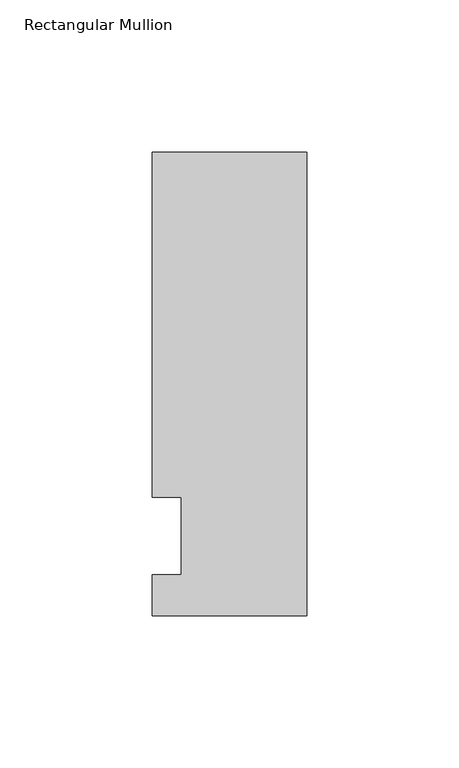
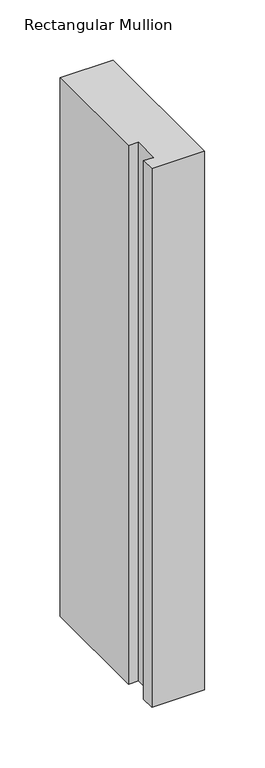
"""IFC4 building model written with IfcOpenShell, lengths in millimetres: member geometry, Rectangular Mullion."""

from ifc_helpers import new_model, si_unit, frame, origin, place, context, project, spatial, polyline, outline, extrude, source, transform, mapped, element, save


def rectangular_mullion_8bf06124(model_context):
    return source(origin(), model_context, "Body", "SweptSolid", [
        extrude(outline(polyline([(0.0, -26.19375), (-50.8, -26.19375), (-50.8, -12.7), (-41.275, -12.7), (-41.275, 12.7), (-50.8, 12.7), (-50.8, 126.20625), (0.0, 126.20625), (0.0, -26.19375)])), frame((0.0, 0.0, -546.1), z_axis=(0.0, 0.0, 1.0), x_axis=(1.0, 0.0, 0.0)), (0.0, 0.0, 1.0), 546.1),
    ])


if __name__ == "__main__":
    model = new_model("IFC4")
    model_context = context("Model", 3, world=origin())
    ifc_project = project(units=[si_unit("LENGTHUNIT", "METRE", prefix="MILLI")], contexts=[model_context])
    site = spatial("IfcSite", under=ifc_project)
    building = spatial("IfcBuilding", under=site)
    placement = place(None, origin())
    rectangular_mullion_shape = rectangular_mullion_8bf06124(model_context)
    element("IfcMember", 1, ObjectType="Rectangular Mullion", at=placement, inside=building, context=model_context, shape_type="MappedRepresentation", body=[
        mapped(rectangular_mullion_shape, transform((0.0, 0.0, 0.0), x_axis=(1.0, 0.0, 0.0), y_axis=(0.0, 1.0, 0.0), z_axis=(0.0, 0.0, 1.0))),
    ])
    save(model, "model.ifc")
